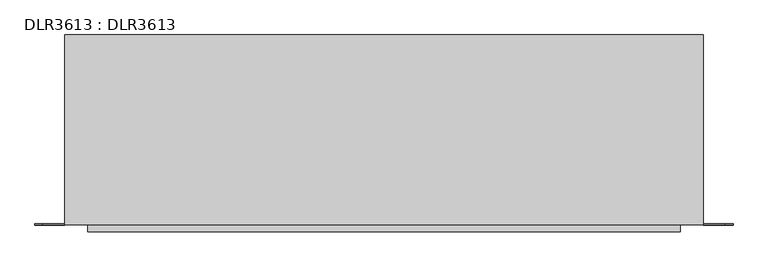
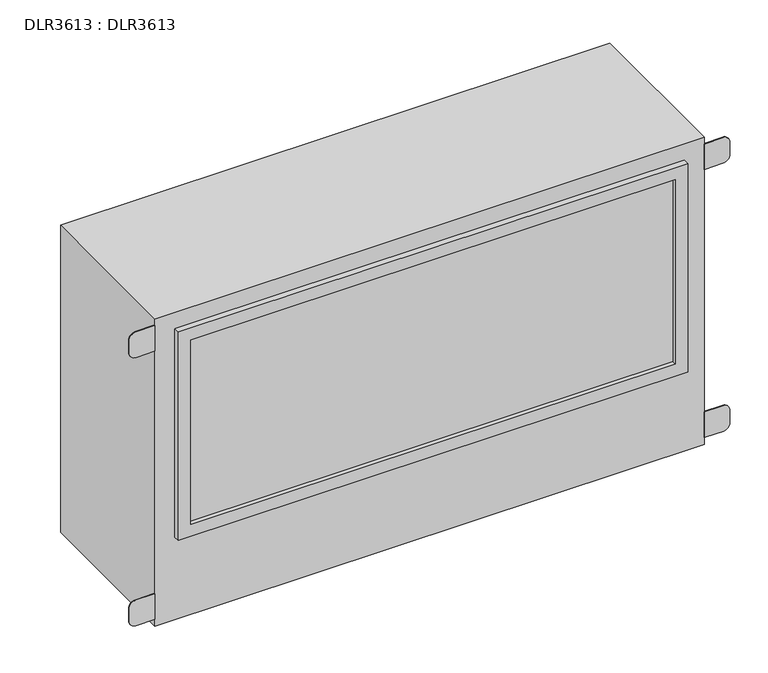
"""IFC4 building model written with IfcOpenShell, lengths in millimetres: proxy geometry, DLR3613 : DLR3613."""

from ifc_helpers import new_model, si_unit, point, frame, frame_2d, origin, origin_with_axes, place, context, project, spatial, polyline, circle_curve, trimmed, segment, composite_curve, outline, extrude, source, transform, mapped, element, save


def dlr3613_dlr3613_17cc444e(model_context):
    return source(origin(), model_context, "Body", "SweptSolid", [
        extrude(outline(polyline([(463.55, -159.54375), (-463.55, -159.54375), (-463.55, -156.36875), (463.55, -156.36875), (463.55, -159.54375)])), frame((0.0, 0.0, 191.29375), z_axis=(0.0, 0.0, 1.0), x_axis=(1.0, 0.0, 0.0)), (0.0, 0.0, 1.0), 373.0625),
        extrude(outline(composite_curve([segment(polyline([(556.7760378, 525.4625), (556.7760378, 561.3966326)]), True, "CONTINUOUS"), segment(trimmed(circle_curve(frame_2d((569.8453022, 561.3966326)), 13.0692643), [point((556.7760378, 561.3966326))], [point((569.8453022, 574.4658969))], False, "CARTESIAN"), True, "CONTINUOUS"), segment(polyline([(569.8453022, 574.4658969), (595.6031727, 574.4658969)]), True, "CONTINUOUS"), segment(trimmed(circle_curve(frame_2d((595.6031727, 561.7772908)), 12.6886061), [point((595.6031727, 574.4658969))], [point((608.2917788, 561.7772908))], False, "CARTESIAN"), True, "CONTINUOUS"), segment(polyline([(608.2917788, 561.7772908), (608.2917788, 525.4625), (556.7760378, 525.4625)]), True, "CONTINUOUS")], self_intersect=False)), frame((0.0, -156.36875, 0.0), z_axis=(0.0, 1.0, 0.0), x_axis=(0.0, 0.0, 1.0)), (0.0, 0.0, 1.0), 1.5875),
        extrude(outline(composite_curve([segment(polyline([(65.5239622, 525.4625), (14.0082212, 525.4625), (14.0082212, 561.7772908)]), True, "CONTINUOUS"), segment(trimmed(circle_curve(frame_2d((26.6968273, 561.7772908)), 12.6886061), [point((14.0082212, 561.7772908))], [point((26.6968273, 574.4658969))], False, "CARTESIAN"), True, "CONTINUOUS"), segment(polyline([(26.6968273, 574.4658969), (52.4546978, 574.4658969)]), True, "CONTINUOUS"), segment(trimmed(circle_curve(frame_2d((52.4546978, 561.3966326)), 13.0692643), [point((52.4546978, 574.4658969))], [point((65.5239622, 561.3966326))], False, "CARTESIAN"), True, "CONTINUOUS"), segment(polyline([(65.5239622, 561.3966326), (65.5239622, 525.4625)]), True, "CONTINUOUS")], self_intersect=False)), frame((0.0, -156.36875, 0.0), z_axis=(0.0, 1.0, 0.0), x_axis=(0.0, 0.0, 1.0)), (0.0, 0.0, 1.0), 1.5875),
        extrude(outline(composite_curve([segment(polyline([(556.7760378, -525.4625), (608.2917788, -525.4625), (608.2917788, -561.7772908)]), True, "CONTINUOUS"), segment(trimmed(circle_curve(frame_2d((595.6031727, -561.7772908)), 12.6886061), [point((608.2917788, -561.7772908))], [point((595.6031727, -574.4658969))], False, "CARTESIAN"), True, "CONTINUOUS"), segment(polyline([(595.6031727, -574.4658969), (569.8453022, -574.4658969)]), True, "CONTINUOUS"), segment(trimmed(circle_curve(frame_2d((569.8453022, -561.3966326)), 13.0692643), [point((569.8453022, -574.4658969))], [point((556.7760378, -561.3966326))], False, "CARTESIAN"), True, "CONTINUOUS"), segment(polyline([(556.7760378, -561.3966326), (556.7760378, -525.4625)]), True, "CONTINUOUS")], self_intersect=False)), frame((0.0, -156.36875, 0.0), z_axis=(0.0, 1.0, 0.0), x_axis=(0.0, 0.0, 1.0)), (0.0, 0.0, 1.0), 1.5875),
        extrude(outline(composite_curve([segment(polyline([(65.5239622, -525.4625), (65.5239622, -561.3966326)]), True, "CONTINUOUS"), segment(trimmed(circle_curve(frame_2d((52.4546978, -561.3966326)), 13.0692643), [point((65.5239622, -561.3966326))], [point((52.4546978, -574.4658969))], False, "CARTESIAN"), True, "CONTINUOUS"), segment(polyline([(52.4546978, -574.4658969), (26.6968273, -574.4658969)]), True, "CONTINUOUS"), segment(trimmed(circle_curve(frame_2d((26.6968273, -561.7772908)), 12.6886061), [point((26.6968273, -574.4658969))], [point((14.0082212, -561.7772908))], False, "CARTESIAN"), True, "CONTINUOUS"), segment(polyline([(14.0082212, -561.7772908), (14.0082212, -525.4625), (65.5239622, -525.4625)]), True, "CONTINUOUS")], self_intersect=False)), frame((0.0, -156.36875, 0.0), z_axis=(0.0, 1.0, 0.0), x_axis=(0.0, 0.0, 1.0)), (0.0, 0.0, 1.0), 1.5875),
        extrude(outline(polyline([(588.9625, 487.3625), (588.9625, -487.3625), (166.6875, -487.3625), (166.6875, 487.3625), (588.9625, 487.3625)]), holes=[polyline([(564.35625, -463.55), (564.35625, 463.55), (191.29375, 463.55), (191.29375, -463.55), (564.35625, -463.55)])]), frame((0.0, -167.48125, 0.0), z_axis=(0.0, 1.0, 0.0), x_axis=(0.0, 0.0, 1.0)), (0.0, 0.0, 1.0), 11.1125),
        extrude(outline(polyline([(525.4625, 156.36875), (525.4625, -156.36875), (-525.4625, -156.36875), (-525.4625, 156.36875), (525.4625, 156.36875)])), origin_with_axes(), (0.0, 0.0, 1.0), 622.3),
    ])


if __name__ == "__main__":
    model = new_model("IFC4")
    model_context = context("Model", 3, world=origin())
    ifc_project = project(units=[si_unit("LENGTHUNIT", "METRE", prefix="MILLI")], contexts=[model_context])
    site = spatial("IfcSite", under=ifc_project)
    building = spatial("IfcBuilding", under=site)
    placement = place(None, origin())
    dlr3613_dlr3613_shape = dlr3613_dlr3613_17cc444e(model_context)
    element("IfcBuildingElementProxy", 1, Name="DLR3613 : DLR3613", ObjectType="DLR3613 : DLR3613", at=placement, inside=building, context=model_context, shape_type="MappedRepresentation", body=[
        mapped(dlr3613_dlr3613_shape, transform((0.0, 0.0, 0.0), x_axis=(1.0, 0.0, 0.0), y_axis=(0.0, 1.0, 0.0), z_axis=(0.0, 0.0, 1.0))),
    ])
    save(model, "model.ifc")
